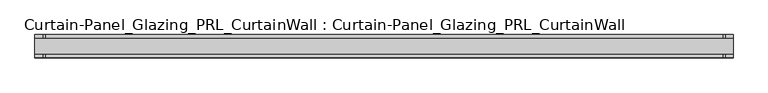
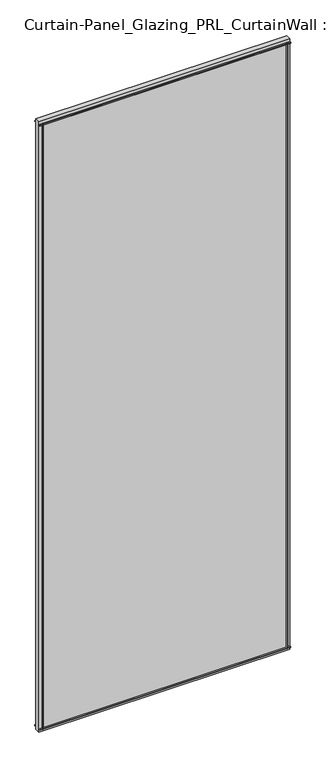
"""IFC4 building model written with IfcOpenShell, lengths in millimetres: plate geometry, Curtain-Panel_Glazing_PRL_CurtainWall : Curtain-Panel_Glazing_PRL_CurtainWall."""

import ifcopenshell
import ifcopenshell.guid

model = None  # the IFC model being written
_history = None  # IfcOwnerHistory: only IFC2X3 demands one
_inside = {}  # id of a spatial element -> (the spatial element, [elements in it])
_under = {}  # id of a project, library or spatial element -> (it, [spatial elements below it])
_declared = {}  # id of a project -> (the project, [libraries it declares])
_typed = {}  # id of a type object -> (the type object, [elements of that type])
_made_of = {}  # id of a material, layer set ... -> (it, [elements and type objects made of it])


def new_model(schema):
    """Start an empty IFC model of exactly this schema.

    Asked for "IFC4X3", IfcOpenShell would pick the latest addendum, in which some entities
    have other attributes; the version numbers below select the first issue.
    IFC2X3 requires an IfcOwnerHistory on every rooted entity: one is made here for all.
    """
    global model, _history
    if schema == "IFC4X3":
        model = ifcopenshell.file(schema_version=(4, 3, 0, 0))
    else:
        model = ifcopenshell.file(schema=schema)
    _inside.clear()
    _under.clear()
    _declared.clear()
    _typed.clear()
    _made_of.clear()
    _history = None
    if model.schema == "IFC2X3":
        org = make("IfcOrganization", Name="unknown")
        user = make(
            "IfcPersonAndOrganization",
            ThePerson=make("IfcPerson", FamilyName="unknown"),
            TheOrganization=org,
        )
        app = make(
            "IfcApplication",
            ApplicationDeveloper=org,
            Version="unknown",
            ApplicationFullName="unknown",
            ApplicationIdentifier="unknown",
        )
        _history = make(
            "IfcOwnerHistory",
            OwningUser=user,
            OwningApplication=app,
            ChangeAction="ADDED",
            CreationDate=0,
        )
    return model


def make(cls, **values):
    """One entity of the class cls with the attributes given. An attribute that is None is left unset."""
    return model.create_entity(
        cls, **{name: value for name, value in values.items() if value is not None}
    )


def rooted(cls, **values):
    """An entity with a GlobalId (a new one), such as an element, a storey or a relation."""
    return make(cls, GlobalId=ifcopenshell.guid.new(), OwnerHistory=_history, **values)


def si_unit(unit_type, name, prefix=None):
    """IfcSIUnit, for example si_unit("LENGTHUNIT", "METRE", prefix="MILLI")."""
    return make("IfcSIUnit", UnitType=unit_type, Prefix=prefix, Name=name)


def assignment(units):
    """IfcUnitAssignment: the units of a project."""
    return None if units is None else make("IfcUnitAssignment", Units=units)


def point(xyz):
    """IfcCartesianPoint."""
    return None if xyz is None else make("IfcCartesianPoint", Coordinates=xyz)


def direction(xyz):
    """IfcDirection."""
    return None if xyz is None else make("IfcDirection", DirectionRatios=xyz)


def frame(location, z_axis=None, x_axis=None):
    """IfcAxis2Placement3D, a coordinate frame: its origin and axes. An axis left out is left unset."""
    return make(
        "IfcAxis2Placement3D",
        Location=point(location),
        Axis=direction(z_axis),
        RefDirection=direction(x_axis),
    )


def origin():
    """The frame at (0, 0, 0) with its axes left unset."""
    return frame((0.0, 0.0, 0.0))


def origin_with_axes():
    """The frame at (0, 0, 0) with the z axis (0, 0, 1) and the x axis (1, 0, 0) written out."""
    return frame((0.0, 0.0, 0.0), z_axis=(0.0, 0.0, 1.0), x_axis=(1.0, 0.0, 0.0))


def place(relative_to, where):
    """IfcLocalPlacement: puts the frame where relative to a parent placement (None: the world)."""
    return make(
        "IfcLocalPlacement", PlacementRelTo=relative_to, RelativePlacement=where
    )


def context(
    kind, dimensions, precision=None, world=None, true_north=None, identifier=None
):
    """IfcGeometricRepresentationContext, for example the 3D "Model" context."""
    return make(
        "IfcGeometricRepresentationContext",
        ContextIdentifier=identifier,
        ContextType=kind,
        CoordinateSpaceDimension=dimensions,
        Precision=precision,
        WorldCoordinateSystem=world,
        TrueNorth=true_north,
    )


def project(units=None, contexts=None):
    """IfcProject with its units and contexts."""
    return rooted(
        "IfcProject",
        Name="project",
        RepresentationContexts=contexts,
        UnitsInContext=assignment(units),
    )


def spatial(cls, under=None, at=None, **own):
    """A site, building, storey or space (cls), placed at a placement, below another one or the project."""
    s = rooted(cls, ObjectPlacement=at, **own)
    if under is not None:
        _under.setdefault(under.id(), (under, []))[1].append(s)
    return s


def polyline(points):
    """IfcPolyline through the points."""
    return make("IfcPolyline", Points=[point(p) for p in points])


def outline(outer, holes=None, kind="AREA"):
    """IfcArbitraryClosedProfileDef: a profile drawn as a closed curve; with holes, ...WithVoids."""
    if holes is None:
        return make("IfcArbitraryClosedProfileDef", ProfileType=kind, OuterCurve=outer)
    return make(
        "IfcArbitraryProfileDefWithVoids",
        ProfileType=kind,
        OuterCurve=outer,
        InnerCurves=holes,
    )


def extrude(swept, where, along, depth):
    """IfcExtrudedAreaSolid: the profile swept, set in the frame where, extruded along a direction by depth."""
    return make(
        "IfcExtrudedAreaSolid",
        SweptArea=swept,
        Position=where,
        ExtrudedDirection=direction(along),
        Depth=depth,
    )


def shape(context_of_items, identifier, shape_type, items):
    """IfcShapeRepresentation: the items that make up one representation, for example the "Body"."""
    return make(
        "IfcShapeRepresentation",
        ContextOfItems=context_of_items,
        RepresentationIdentifier=identifier,
        RepresentationType=shape_type,
        Items=items,
    )


def source(mapping_origin, context_of_items, identifier, shape_type, items):
    """IfcRepresentationMap: a shape defined once, which mapped items show again and again."""
    return make(
        "IfcRepresentationMap",
        MappingOrigin=mapping_origin,
        MappedRepresentation=shape(context_of_items, identifier, shape_type, items),
    )


def transform(
    local_origin,
    x_axis=None,
    y_axis=None,
    z_axis=None,
    scale=None,
    scale2=None,
    scale3=None,
    uniform=True,
):
    """IfcCartesianTransformationOperator3D, or its non-uniform kind. x_axis, y_axis, z_axis: its Axis1, 2, 3."""
    if uniform:
        return make(
            "IfcCartesianTransformationOperator3D",
            Axis1=direction(x_axis),
            Axis2=direction(y_axis),
            LocalOrigin=point(local_origin),
            Scale=scale,
            Axis3=direction(z_axis),
        )
    return make(
        "IfcCartesianTransformationOperator3DnonUniform",
        Axis1=direction(x_axis),
        Axis2=direction(y_axis),
        LocalOrigin=point(local_origin),
        Scale=scale,
        Axis3=direction(z_axis),
        Scale2=scale2,
        Scale3=scale3,
    )


def mapped(mapping_source, mapping_target):
    """IfcMappedItem: shows the shape of a source again, moved by a transform."""
    return make(
        "IfcMappedItem", MappingSource=mapping_source, MappingTarget=mapping_target
    )


def made_of(thing, what):
    """Note that an element or type object is made of a material, layer set ...; save() writes the relation."""
    if what is not None:
        _made_of.setdefault(what.id(), (what, []))[1].append(thing)
    return thing


def element(
    cls,
    number,
    at=None,
    inside=None,
    cuts=None,
    type_object=None,
    material=None,
    context=None,
    identifier="Body",
    shape_type=None,
    held_by="IfcProductDefinitionShape",
    body=None,
    shapes=None,
    **own,
):
    """One element of the class cls, such as IfcWall. Its Tag is "e" and its number.

    at: its placement. inside: the storey or other place that contains it. cuts: it is an
    opening in that element (IfcRelVoidsElement). A single representation is given by context,
    identifier, shape_type and body (its items); several are given by shapes. held_by: the class
    of the entity that holds the representations. save() writes the other relations.
    """
    e = rooted(cls, Tag="e%d" % number, ObjectPlacement=at, **own)
    if body is not None:
        shapes = [shape(context, identifier, shape_type, body)]
    if shapes is not None:
        e.Representation = make(held_by, Representations=shapes)
    if inside is not None:
        _inside.setdefault(inside.id(), (inside, []))[1].append(e)
    if cuts is not None:
        rooted(
            "IfcRelVoidsElement", RelatingBuildingElement=cuts, RelatedOpeningElement=e
        )
    if type_object is not None:
        _typed.setdefault(type_object.id(), (type_object, []))[1].append(e)
    return made_of(e, material)


def aggregate(whole, parts):
    """IfcRelAggregates: a whole, such as a stair, and the parts it consists of."""
    return rooted("IfcRelAggregates", RelatingObject=whole, RelatedObjects=parts)


def save(model, path):
    """Write the relations noted so far, then the file.

    IfcRelAggregates (storeys below a building ...), IfcRelContainedInSpatialStructure (elements
    in a storey), IfcRelDefinesByType, IfcRelAssociatesMaterial and IfcRelDeclares: one each for
    every whole, place, type object, material and project.
    """
    for whole, parts in _under.values():
        aggregate(whole, parts)
    for where, things in _inside.values():
        rooted(
            "IfcRelContainedInSpatialStructure",
            RelatedElements=things,
            RelatingStructure=where,
        )
    for kind, things in _typed.values():
        rooted("IfcRelDefinesByType", RelatedObjects=things, RelatingType=kind)
    for what, things in _made_of.values():
        rooted("IfcRelAssociatesMaterial", RelatedObjects=things, RelatingMaterial=what)
    for by, libraries in _declared.values():
        rooted("IfcRelDeclares", RelatingContext=by, RelatedDefinitions=libraries)
    model.write(path)


def curtain_panel_glazing_prl_curtainwall_curtain_panel_glazing_aec7dec5(model_context):
    return source(origin(), model_context, "Body", "SweptSolid", [
        extrude(outline(polyline([(625.475, 19.05), (625.475, 12.7), (621.50625, 12.7), (621.50625, 19.05), (625.475, 19.05)])), frame((0.0, 0.0, 12.7), z_axis=(0.0, 0.0, 1.0), x_axis=(1.0, 0.0, 0.0)), (0.0, 0.0, 1.0), 2946.4),
        extrude(outline(polyline([(625.475, -19.05), (621.50625, -19.05), (621.50625, -12.7), (625.475, -12.7), (625.475, -19.05)])), frame((0.0, 0.0, 12.7), z_axis=(0.0, 0.0, 1.0), x_axis=(1.0, 0.0, 0.0)), (0.0, 0.0, 1.0), 2946.4),
        extrude(outline(polyline([(-504.03125, 19.05), (-500.0625, 19.05), (-500.0625, 12.7), (-504.03125, 12.7), (-504.03125, 19.05)])), frame((0.0, 0.0, 12.7), z_axis=(0.0, 0.0, 1.0), x_axis=(1.0, 0.0, 0.0)), (0.0, 0.0, 1.0), 2946.4),
        extrude(outline(polyline([(-504.03125, -19.05), (-504.03125, -12.7), (-500.0625, -12.7), (-500.0625, -19.05), (-504.03125, -19.05)])), frame((0.0, 0.0, 12.7), z_axis=(0.0, 0.0, 1.0), x_axis=(1.0, 0.0, 0.0)), (0.0, 0.0, 1.0), 2946.4),
        extrude(outline(polyline([(638.175, -12.7), (-517.525, -12.7), (-517.525, 12.7), (638.175, 12.7), (638.175, -12.7)])), origin_with_axes(), (0.0, 0.0, 1.0), 2971.8),
        extrude(outline(polyline([(-517.525, 19.05), (638.175, 19.05), (638.175, 12.7), (-517.525, 12.7), (-517.525, 19.05)])), frame((0.0, 0.0, 2955.13125), z_axis=(0.0, 0.0, 1.0), x_axis=(1.0, 0.0, 0.0)), (0.0, 0.0, 1.0), 3.96875),
        extrude(outline(polyline([(-517.525, -19.05), (-517.525, -12.7), (638.175, -12.7), (638.175, -19.05), (-517.525, -19.05)])), frame((0.0, 0.0, 2955.13125), z_axis=(0.0, 0.0, 1.0), x_axis=(1.0, 0.0, 0.0)), (0.0, 0.0, 1.0), 3.96875),
        extrude(outline(polyline([(-517.525, 19.05), (638.175, 19.05), (638.175, 12.7), (-517.525, 12.7), (-517.525, 19.05)])), frame((0.0, 0.0, 12.7), z_axis=(0.0, 0.0, 1.0), x_axis=(1.0, 0.0, 0.0)), (0.0, 0.0, 1.0), 3.96875),
        extrude(outline(polyline([(-517.525, -19.05), (-517.525, -12.7), (638.175, -12.7), (638.175, -19.05), (-517.525, -19.05)])), frame((0.0, 0.0, 12.7), z_axis=(0.0, 0.0, 1.0), x_axis=(1.0, 0.0, 0.0)), (0.0, 0.0, 1.0), 3.96875),
    ])


if __name__ == "__main__":
    model = new_model("IFC4")
    model_context = context("Model", 3, world=origin())
    ifc_project = project(units=[si_unit("LENGTHUNIT", "METRE", prefix="MILLI")], contexts=[model_context])
    site = spatial("IfcSite", under=ifc_project)
    building = spatial("IfcBuilding", under=site)
    placement = place(None, origin())
    curtain_panel_glazing_prl_curtainwall_curtain_panel_glazing_shape = curtain_panel_glazing_prl_curtainwall_curtain_panel_glazing_aec7dec5(model_context)
    element("IfcPlate", 1, ObjectType="Curtain-Panel_Glazing_PRL_CurtainWall : Curtain-Panel_Glazing_PRL_CurtainWall", at=placement, inside=building, context=model_context, shape_type="MappedRepresentation", body=[
        mapped(curtain_panel_glazing_prl_curtainwall_curtain_panel_glazing_shape, transform((0.0, 0.0, 0.0), x_axis=(1.0, 0.0, 0.0), y_axis=(0.0, 1.0, 0.0), z_axis=(0.0, 0.0, 1.0))),
    ])
    save(model, "model.ifc")
